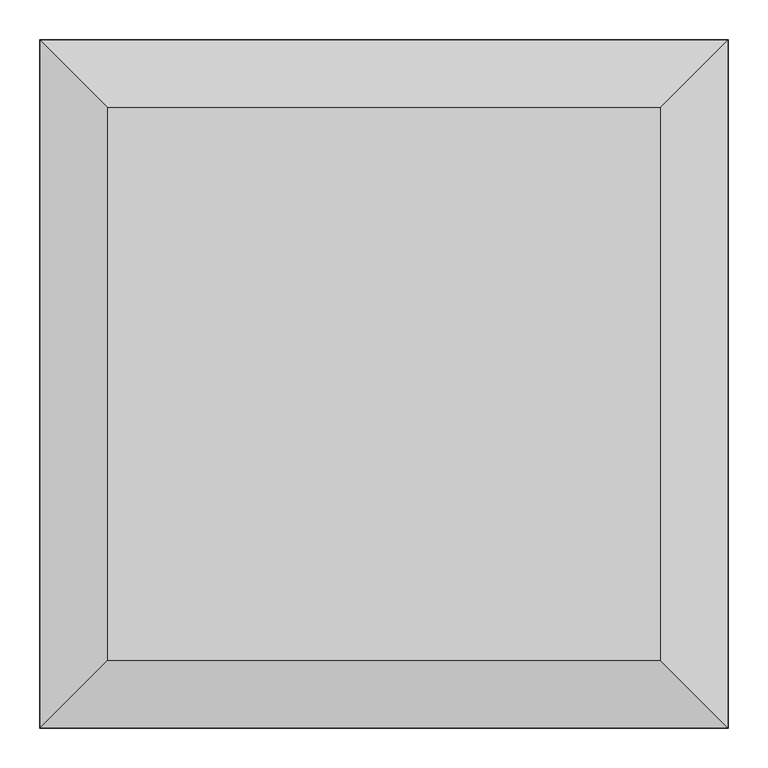
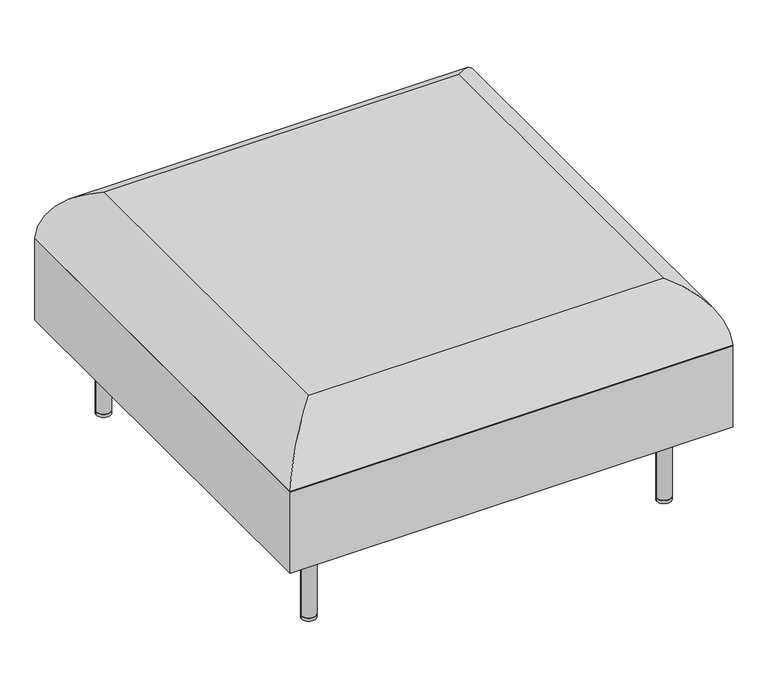
"""IFC4 building model written with IfcOpenShell, lengths in millimetres: furniture geometry."""

from ifc_helpers import new_model, si_unit, point, frame, frame_2d, origin, origin_with_axes, place, context, project, spatial, circle_curve, ellipse_curve, trimmed, segment, composite_curve, outline, extrude, source, transform, mapped, element, save
from ifc_brep_helpers import plane_surface, cylinder_surface, advanced_brep


def furniture_dfc01891(model_context):
    return source(origin(), model_context, "Body", "SolidModel", [
        advanced_brep(
        [(435.5785638, 435.5785638, 342.1905952), (349.8949219, 349.8949219, 459.7796875), (349.8949219, -349.8949219, 459.7796875), (435.5785638, -435.5785638, 342.1905952), (-349.8949219, -349.8949219, 459.7796875), (-435.5785638, -435.5785638, 342.1905952), (-349.8949219, 349.8949219, 459.7796875), (-435.5785638, 435.5785638, 342.1905952), (435.6199219, 435.6199219, 171.45), (435.6199219, 435.6199219, 340.1411401), (435.6199219, -435.6199219, 340.1411401), (435.6199219, -435.6199219, 171.45), (-435.6199219, -435.6199219, 340.1411401), (-435.6199219, -435.6199219, 171.45), (-435.6199219, 435.6199219, 340.1411401), (-435.6199219, 435.6199219, 171.45)],
        [
            (0, 1, ellipse_curve(frame((304.8028202, 304.8028202, 336.9103314), z_axis=(0.7071067811865475, -0.7071067811865475, 0.0), x_axis=(0.7071067811865474, 0.7071067811865476, 0.0)), 185.095523, 130.8822995)),
            (1, 2),
            (2, 3, ellipse_curve(frame((304.8028202, -304.8028202, 336.9103314), z_axis=(0.7071067811865475, 0.7071067811865475, 0.0), x_axis=(-0.7071067811865474, 0.7071067811865476, 0.0)), 185.095523, 130.8822995)),
            (3, 0),
            (2, 4),
            (4, 5, ellipse_curve(frame((-304.8028202, -304.8028202, 336.9103314), z_axis=(0.7071067811865475, -0.7071067811865475, 0.0), x_axis=(0.7071067811865476, 0.7071067811865474, 0.0)), 185.095523, 130.8822995)),
            (5, 3),
            (4, 6),
            (6, 7, ellipse_curve(frame((-304.8028202, 304.8028202, 336.9103314), z_axis=(-0.7071067811865475, -0.7071067811865475, 0.0), x_axis=(0.7071067811865474, -0.7071067811865476, 0.0)), 185.095523, 130.8822995)),
            (7, 5),
            (0, 7),
            (6, 1),
            (8, 9),
            (9, 10),
            (10, 11),
            (11, 8),
            (10, 12),
            (12, 13),
            (13, 11),
            (12, 14),
            (14, 15),
            (15, 13),
            (8, 15),
            (14, 9),
            (3, 10, ellipse_curve(frame((384.8199219, -384.8199219, 340.1411401), z_axis=(0.7071067811865475, 0.7071067811865475, 0.0), x_axis=(-0.7071067811865474, 0.7071067811865476, 0.0)), 71.842049, 50.8)),
            (9, 0, ellipse_curve(frame((384.8199219, 384.8199219, 340.1411401), z_axis=(0.7071067811865475, -0.7071067811865475, 0.0), x_axis=(0.7071067811865474, 0.7071067811865476, 0.0)), 71.842049, 50.8)),
            (5, 12, ellipse_curve(frame((-384.8199219, -384.8199219, 340.1411401), z_axis=(0.7071067811865475, -0.7071067811865475, 0.0), x_axis=(0.7071067811865476, 0.7071067811865474, 0.0)), 71.842049, 50.8)),
            (7, 14, ellipse_curve(frame((-384.8199219, 384.8199219, 340.1411401), z_axis=(-0.7071067811865475, -0.7071067811865475, 0.0), x_axis=(0.7071067811865474, -0.7071067811865476, 0.0)), 71.842049, 50.8)),
        ],
        [
            cylinder_surface(frame((304.8028202, 435.6199219, 336.9103314), z_axis=(0.0, 1.0, 0.0), x_axis=(1.0, 0.0, 0.0)), 130.8822995),
            cylinder_surface(frame((435.6199219, -304.8028202, 336.9103314), z_axis=(1.0, 0.0, 0.0), x_axis=(0.0, -1.0, 0.0)), 130.8822995),
            cylinder_surface(frame((-304.8028202, -435.6199219, 336.9103314), z_axis=(0.0, -1.0, 0.0), x_axis=(-1.0, 0.0, 0.0)), 130.8822995),
            cylinder_surface(frame((-435.6199219, 304.8028202, 336.9103314), z_axis=(-1.0, 0.0, 0.0), x_axis=(0.0, 1.0, 0.0)), 130.8822995),
            plane_surface(frame((-349.8949219, 349.8949219, 459.7796875), z_axis=(0.0, 0.0, 1.0), x_axis=(-1.0, 0.0, 0.0))),
            plane_surface(frame((435.6199219, 435.6199219, 340.1411401), z_axis=(1.0, 0.0, 0.0), x_axis=(0.0, -1.0, 0.0))),
            plane_surface(frame((435.6199219, -435.6199219, 340.1411401), z_axis=(0.0, -1.0, 0.0), x_axis=(-1.0, 0.0, 0.0))),
            plane_surface(frame((-435.6199219, -435.6199219, 340.1411401), z_axis=(-1.0, 0.0, 0.0), x_axis=(0.0, 1.0, 0.0))),
            plane_surface(frame((-435.6199219, 435.6199219, 340.1411401), z_axis=(0.0, 1.0, 0.0), x_axis=(1.0, 0.0, 0.0))),
            plane_surface(frame((-435.6199219, 435.6199219, 171.45), z_axis=(0.0, 0.0, -1.0), x_axis=(1.0, 0.0, 0.0))),
            cylinder_surface(frame((384.8199219, 435.6199219, 340.1411401), z_axis=(0.0, 1.0, 0.0), x_axis=(1.0, 0.0, 0.0)), 50.8),
            cylinder_surface(frame((435.6199219, -384.8199219, 340.1411401), z_axis=(1.0, 0.0, 0.0), x_axis=(0.0, -1.0, 0.0)), 50.8),
            cylinder_surface(frame((-384.8199219, -435.6199219, 340.1411401), z_axis=(0.0, -1.0, 0.0), x_axis=(-1.0, 0.0, 0.0)), 50.8),
            cylinder_surface(frame((-435.6199219, 384.8199219, 340.1411401), z_axis=(-1.0, 0.0, 0.0), x_axis=(0.0, 1.0, 0.0)), 50.8),
        ],
        [
            (0, [[1, 2, 3, 4]]),
            (1, [[-3, 5, 6, 7]]),
            (2, [[-6, 8, 9, 10]]),
            (3, [[-1, 11, -9, 12]]),
            (4, [[-2, -12, -8, -5]]),
            (5, [[13, 14, 15, 16]]),
            (6, [[-15, 17, 18, 19]]),
            (7, [[-18, 20, 21, 22]]),
            (8, [[-13, 23, -21, 24]]),
            (9, [[-16, -19, -22, -23]]),
            (10, [[-4, 25, -14, 26]]),
            (11, [[-7, 27, -17, -25]]),
            (12, [[-10, 28, -20, -27]]),
            (13, [[-11, -26, -24, -28]]),
        ],
    ),
        extrude(outline(composite_curve([segment(trimmed(circle_curve(frame_2d((-349.8949219, 349.8949219)), 14.2875), [point((-364.1824219, 349.8949219))], [point((-335.6074219, 349.8949219))], False, "CARTESIAN"), True, "CONTINUOUS"), segment(trimmed(circle_curve(frame_2d((-349.8949219, 349.8949219)), 14.2875), [point((-335.6074219, 349.8949219))], [point((-364.1824219, 349.8949219))], False, "CARTESIAN"), True, "CONTINUOUS")], self_intersect=False)), origin_with_axes(), (0.0, 0.0, 1.0), 6.35),
        extrude(outline(composite_curve([segment(trimmed(circle_curve(frame_2d((349.8949219, 349.8949219)), 14.2875), [point((335.6074219, 349.8949219))], [point((364.1824219, 349.8949219))], False, "CARTESIAN"), True, "CONTINUOUS"), segment(trimmed(circle_curve(frame_2d((349.8949219, 349.8949219)), 14.2875), [point((364.1824219, 349.8949219))], [point((335.6074219, 349.8949219))], False, "CARTESIAN"), True, "CONTINUOUS")], self_intersect=False)), origin_with_axes(), (0.0, 0.0, 1.0), 6.35),
        extrude(outline(composite_curve([segment(trimmed(circle_curve(frame_2d((349.8949219, -349.8949219)), 14.2875), [point((335.6074219, -349.8949219))], [point((364.1824219, -349.8949219))], False, "CARTESIAN"), True, "CONTINUOUS"), segment(trimmed(circle_curve(frame_2d((349.8949219, -349.8949219)), 14.2875), [point((364.1824219, -349.8949219))], [point((335.6074219, -349.8949219))], False, "CARTESIAN"), True, "CONTINUOUS")], self_intersect=False)), origin_with_axes(), (0.0, 0.0, 1.0), 6.35),
        extrude(outline(composite_curve([segment(trimmed(circle_curve(frame_2d((-349.8949219, -349.8949219)), 14.2875), [point((-364.1824219, -349.8949219))], [point((-335.6074219, -349.8949219))], False, "CARTESIAN"), True, "CONTINUOUS"), segment(trimmed(circle_curve(frame_2d((-349.8949219, -349.8949219)), 14.2875), [point((-335.6074219, -349.8949219))], [point((-364.1824219, -349.8949219))], False, "CARTESIAN"), True, "CONTINUOUS")], self_intersect=False)), origin_with_axes(), (0.0, 0.0, 1.0), 6.35),
        extrude(outline(composite_curve([segment(trimmed(circle_curve(frame_2d((-349.8949219, 349.8949219)), 14.2875), [point((-364.1824219, 349.8949219))], [point((-335.6074219, 349.8949219))], False, "CARTESIAN"), True, "CONTINUOUS"), segment(trimmed(circle_curve(frame_2d((-349.8949219, 349.8949219)), 14.2875), [point((-335.6074219, 349.8949219))], [point((-364.1824219, 349.8949219))], False, "CARTESIAN"), True, "CONTINUOUS")], self_intersect=False)), frame((0.0, 0.0, 6.35), z_axis=(0.0, 0.0, 1.0), x_axis=(1.0, 0.0, 0.0)), (0.0, 0.0, 1.0), 165.1),
        extrude(outline(composite_curve([segment(trimmed(circle_curve(frame_2d((-349.8949219, -349.8949219)), 14.2875), [point((-364.1824219, -349.8949219))], [point((-335.6074219, -349.8949219))], False, "CARTESIAN"), True, "CONTINUOUS"), segment(trimmed(circle_curve(frame_2d((-349.8949219, -349.8949219)), 14.2875), [point((-335.6074219, -349.8949219))], [point((-364.1824219, -349.8949219))], False, "CARTESIAN"), True, "CONTINUOUS")], self_intersect=False)), frame((0.0, 0.0, 6.35), z_axis=(0.0, 0.0, 1.0), x_axis=(1.0, 0.0, 0.0)), (0.0, 0.0, 1.0), 165.1),
        extrude(outline(composite_curve([segment(trimmed(circle_curve(frame_2d((349.8949219, -349.8949219)), 14.2875), [point((335.6074219, -349.8949219))], [point((364.1824219, -349.8949219))], False, "CARTESIAN"), True, "CONTINUOUS"), segment(trimmed(circle_curve(frame_2d((349.8949219, -349.8949219)), 14.2875), [point((364.1824219, -349.8949219))], [point((335.6074219, -349.8949219))], False, "CARTESIAN"), True, "CONTINUOUS")], self_intersect=False)), frame((0.0, 0.0, 6.35), z_axis=(0.0, 0.0, 1.0), x_axis=(1.0, 0.0, 0.0)), (0.0, 0.0, 1.0), 165.1),
        extrude(outline(composite_curve([segment(trimmed(circle_curve(frame_2d((349.8949219, 349.8949219)), 14.2875), [point((335.6074219, 349.8949219))], [point((364.1824219, 349.8949219))], False, "CARTESIAN"), True, "CONTINUOUS"), segment(trimmed(circle_curve(frame_2d((349.8949219, 349.8949219)), 14.2875), [point((364.1824219, 349.8949219))], [point((335.6074219, 349.8949219))], False, "CARTESIAN"), True, "CONTINUOUS")], self_intersect=False)), frame((0.0, 0.0, 6.35), z_axis=(0.0, 0.0, 1.0), x_axis=(1.0, 0.0, 0.0)), (0.0, 0.0, 1.0), 165.1),
    ])


if __name__ == "__main__":
    model = new_model("IFC4")
    model_context = context("Model", 3, world=origin())
    ifc_project = project(units=[si_unit("LENGTHUNIT", "METRE", prefix="MILLI")], contexts=[model_context])
    site = spatial("IfcSite", under=ifc_project)
    building = spatial("IfcBuilding", under=site)
    placement = place(None, origin())
    furniture_shape = furniture_dfc01891(model_context)
    element("IfcFurniture", 1, at=placement, inside=building, context=model_context, shape_type="MappedRepresentation", body=[
        mapped(furniture_shape, transform((0.0, 0.0, 0.0), x_axis=(1.0, 0.0, 0.0), y_axis=(0.0, 1.0, 0.0), z_axis=(0.0, 0.0, 1.0))),
    ])
    save(model, "model.ifc")
